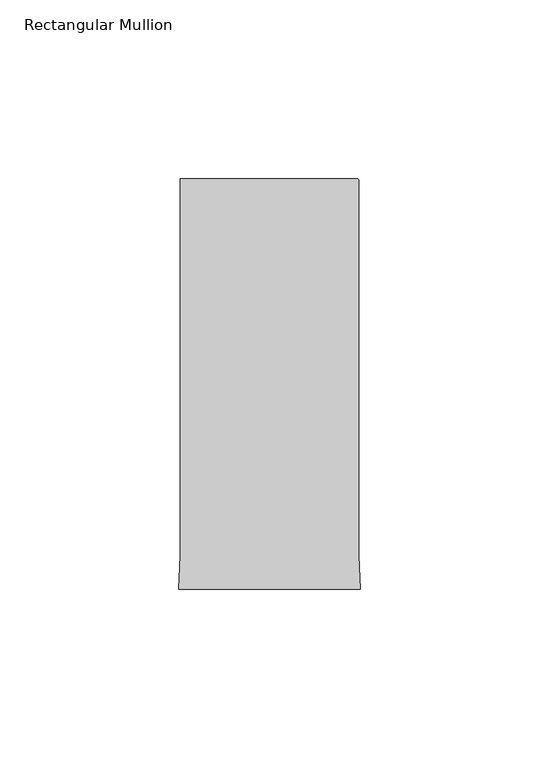
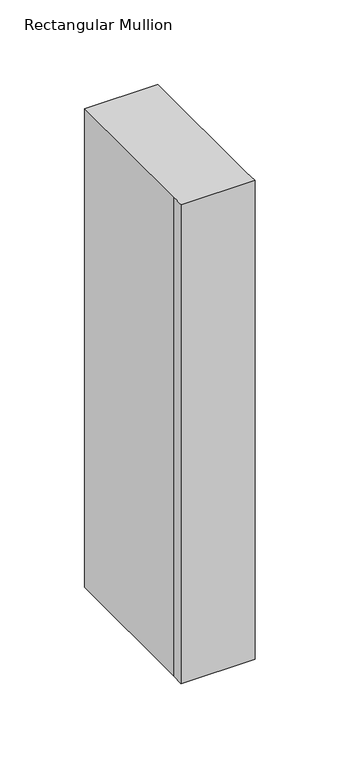
"""IFC4 building model written with IfcOpenShell, lengths in millimetres: member geometry, Rectangular Mullion."""

import ifcopenshell
import ifcopenshell.guid

model = None  # the IFC model being written
_history = None  # IfcOwnerHistory: only IFC2X3 demands one
_inside = {}  # id of a spatial element -> (the spatial element, [elements in it])
_under = {}  # id of a project, library or spatial element -> (it, [spatial elements below it])
_declared = {}  # id of a project -> (the project, [libraries it declares])
_typed = {}  # id of a type object -> (the type object, [elements of that type])
_made_of = {}  # id of a material, layer set ... -> (it, [elements and type objects made of it])


def new_model(schema):
    """Start an empty IFC model of exactly this schema.

    Asked for "IFC4X3", IfcOpenShell would pick the latest addendum, in which some entities
    have other attributes; the version numbers below select the first issue.
    IFC2X3 requires an IfcOwnerHistory on every rooted entity: one is made here for all.
    """
    global model, _history
    if schema == "IFC4X3":
        model = ifcopenshell.file(schema_version=(4, 3, 0, 0))
    else:
        model = ifcopenshell.file(schema=schema)
    _inside.clear()
    _under.clear()
    _declared.clear()
    _typed.clear()
    _made_of.clear()
    _history = None
    if model.schema == "IFC2X3":
        org = make("IfcOrganization", Name="unknown")
        user = make(
            "IfcPersonAndOrganization",
            ThePerson=make("IfcPerson", FamilyName="unknown"),
            TheOrganization=org,
        )
        app = make(
            "IfcApplication",
            ApplicationDeveloper=org,
            Version="unknown",
            ApplicationFullName="unknown",
            ApplicationIdentifier="unknown",
        )
        _history = make(
            "IfcOwnerHistory",
            OwningUser=user,
            OwningApplication=app,
            ChangeAction="ADDED",
            CreationDate=0,
        )
    return model


def make(cls, **values):
    """One entity of the class cls with the attributes given. An attribute that is None is left unset."""
    return model.create_entity(
        cls, **{name: value for name, value in values.items() if value is not None}
    )


def rooted(cls, **values):
    """An entity with a GlobalId (a new one), such as an element, a storey or a relation."""
    return make(cls, GlobalId=ifcopenshell.guid.new(), OwnerHistory=_history, **values)


def si_unit(unit_type, name, prefix=None):
    """IfcSIUnit, for example si_unit("LENGTHUNIT", "METRE", prefix="MILLI")."""
    return make("IfcSIUnit", UnitType=unit_type, Prefix=prefix, Name=name)


def assignment(units):
    """IfcUnitAssignment: the units of a project."""
    return None if units is None else make("IfcUnitAssignment", Units=units)


def point(xyz):
    """IfcCartesianPoint."""
    return None if xyz is None else make("IfcCartesianPoint", Coordinates=xyz)


def direction(xyz):
    """IfcDirection."""
    return None if xyz is None else make("IfcDirection", DirectionRatios=xyz)


def frame(location, z_axis=None, x_axis=None):
    """IfcAxis2Placement3D, a coordinate frame: its origin and axes. An axis left out is left unset."""
    return make(
        "IfcAxis2Placement3D",
        Location=point(location),
        Axis=direction(z_axis),
        RefDirection=direction(x_axis),
    )


def frame_2d(location, x_axis=None):
    """IfcAxis2Placement2D, a coordinate frame in the plane: its origin and x axis."""
    return make(
        "IfcAxis2Placement2D", Location=point(location), RefDirection=direction(x_axis)
    )


def origin():
    """The frame at (0, 0, 0) with its axes left unset."""
    return frame((0.0, 0.0, 0.0))


def place(relative_to, where):
    """IfcLocalPlacement: puts the frame where relative to a parent placement (None: the world)."""
    return make(
        "IfcLocalPlacement", PlacementRelTo=relative_to, RelativePlacement=where
    )


def context(
    kind, dimensions, precision=None, world=None, true_north=None, identifier=None
):
    """IfcGeometricRepresentationContext, for example the 3D "Model" context."""
    return make(
        "IfcGeometricRepresentationContext",
        ContextIdentifier=identifier,
        ContextType=kind,
        CoordinateSpaceDimension=dimensions,
        Precision=precision,
        WorldCoordinateSystem=world,
        TrueNorth=true_north,
    )


def project(units=None, contexts=None):
    """IfcProject with its units and contexts."""
    return rooted(
        "IfcProject",
        Name="project",
        RepresentationContexts=contexts,
        UnitsInContext=assignment(units),
    )


def spatial(cls, under=None, at=None, **own):
    """A site, building, storey or space (cls), placed at a placement, below another one or the project."""
    s = rooted(cls, ObjectPlacement=at, **own)
    if under is not None:
        _under.setdefault(under.id(), (under, []))[1].append(s)
    return s


def polyline(points):
    """IfcPolyline through the points."""
    return make("IfcPolyline", Points=[point(p) for p in points])


def circle_curve(where, radius):
    """IfcCircle in the frame where."""
    return make("IfcCircle", Position=where, Radius=radius)


def trimmed(basis, trim1, trim2, sense, master):
    """IfcTrimmedCurve: the piece of a basis curve between two trims."""
    return make(
        "IfcTrimmedCurve",
        BasisCurve=basis,
        Trim1=trim1,
        Trim2=trim2,
        SenseAgreement=sense,
        MasterRepresentation=master,
    )


def segment(curve, same_sense, transition):
    """IfcCompositeCurveSegment."""
    return make(
        "IfcCompositeCurveSegment",
        Transition=transition,
        SameSense=same_sense,
        ParentCurve=curve,
    )


def composite_curve(segments, self_intersect=None):
    """IfcCompositeCurve: segments joined end to end."""
    return make("IfcCompositeCurve", Segments=segments, SelfIntersect=self_intersect)


def outline(outer, holes=None, kind="AREA"):
    """IfcArbitraryClosedProfileDef: a profile drawn as a closed curve; with holes, ...WithVoids."""
    if holes is None:
        return make("IfcArbitraryClosedProfileDef", ProfileType=kind, OuterCurve=outer)
    return make(
        "IfcArbitraryProfileDefWithVoids",
        ProfileType=kind,
        OuterCurve=outer,
        InnerCurves=holes,
    )


def extrude(swept, where, along, depth):
    """IfcExtrudedAreaSolid: the profile swept, set in the frame where, extruded along a direction by depth."""
    return make(
        "IfcExtrudedAreaSolid",
        SweptArea=swept,
        Position=where,
        ExtrudedDirection=direction(along),
        Depth=depth,
    )


def shape(context_of_items, identifier, shape_type, items):
    """IfcShapeRepresentation: the items that make up one representation, for example the "Body"."""
    return make(
        "IfcShapeRepresentation",
        ContextOfItems=context_of_items,
        RepresentationIdentifier=identifier,
        RepresentationType=shape_type,
        Items=items,
    )


def source(mapping_origin, context_of_items, identifier, shape_type, items):
    """IfcRepresentationMap: a shape defined once, which mapped items show again and again."""
    return make(
        "IfcRepresentationMap",
        MappingOrigin=mapping_origin,
        MappedRepresentation=shape(context_of_items, identifier, shape_type, items),
    )


def transform(
    local_origin,
    x_axis=None,
    y_axis=None,
    z_axis=None,
    scale=None,
    scale2=None,
    scale3=None,
    uniform=True,
):
    """IfcCartesianTransformationOperator3D, or its non-uniform kind. x_axis, y_axis, z_axis: its Axis1, 2, 3."""
    if uniform:
        return make(
            "IfcCartesianTransformationOperator3D",
            Axis1=direction(x_axis),
            Axis2=direction(y_axis),
            LocalOrigin=point(local_origin),
            Scale=scale,
            Axis3=direction(z_axis),
        )
    return make(
        "IfcCartesianTransformationOperator3DnonUniform",
        Axis1=direction(x_axis),
        Axis2=direction(y_axis),
        LocalOrigin=point(local_origin),
        Scale=scale,
        Axis3=direction(z_axis),
        Scale2=scale2,
        Scale3=scale3,
    )


def mapped(mapping_source, mapping_target):
    """IfcMappedItem: shows the shape of a source again, moved by a transform."""
    return make(
        "IfcMappedItem", MappingSource=mapping_source, MappingTarget=mapping_target
    )


def made_of(thing, what):
    """Note that an element or type object is made of a material, layer set ...; save() writes the relation."""
    if what is not None:
        _made_of.setdefault(what.id(), (what, []))[1].append(thing)
    return thing


def element(
    cls,
    number,
    at=None,
    inside=None,
    cuts=None,
    type_object=None,
    material=None,
    context=None,
    identifier="Body",
    shape_type=None,
    held_by="IfcProductDefinitionShape",
    body=None,
    shapes=None,
    **own,
):
    """One element of the class cls, such as IfcWall. Its Tag is "e" and its number.

    at: its placement. inside: the storey or other place that contains it. cuts: it is an
    opening in that element (IfcRelVoidsElement). A single representation is given by context,
    identifier, shape_type and body (its items); several are given by shapes. held_by: the class
    of the entity that holds the representations. save() writes the other relations.
    """
    e = rooted(cls, Tag="e%d" % number, ObjectPlacement=at, **own)
    if body is not None:
        shapes = [shape(context, identifier, shape_type, body)]
    if shapes is not None:
        e.Representation = make(held_by, Representations=shapes)
    if inside is not None:
        _inside.setdefault(inside.id(), (inside, []))[1].append(e)
    if cuts is not None:
        rooted(
            "IfcRelVoidsElement", RelatingBuildingElement=cuts, RelatedOpeningElement=e
        )
    if type_object is not None:
        _typed.setdefault(type_object.id(), (type_object, []))[1].append(e)
    return made_of(e, material)


def aggregate(whole, parts):
    """IfcRelAggregates: a whole, such as a stair, and the parts it consists of."""
    return rooted("IfcRelAggregates", RelatingObject=whole, RelatedObjects=parts)


def save(model, path):
    """Write the relations noted so far, then the file.

    IfcRelAggregates (storeys below a building ...), IfcRelContainedInSpatialStructure (elements
    in a storey), IfcRelDefinesByType, IfcRelAssociatesMaterial and IfcRelDeclares: one each for
    every whole, place, type object, material and project.
    """
    for whole, parts in _under.values():
        aggregate(whole, parts)
    for where, things in _inside.values():
        rooted(
            "IfcRelContainedInSpatialStructure",
            RelatedElements=things,
            RelatingStructure=where,
        )
    for kind, things in _typed.values():
        rooted("IfcRelDefinesByType", RelatedObjects=things, RelatingType=kind)
    for what, things in _made_of.values():
        rooted("IfcRelAssociatesMaterial", RelatedObjects=things, RelatingMaterial=what)
    for by, libraries in _declared.values():
        rooted("IfcRelDeclares", RelatingContext=by, RelatedDefinitions=libraries)
    model.write(path)


def rectangular_mullion_2ac24258(model_context):
    return source(origin(), model_context, "Body", "SweptSolid", [
        extrude(outline(composite_curve([segment(polyline([(-25.0000004, 128.995434), (24.4999996, 128.995434)]), True, "CONTINUOUS"), segment(trimmed(circle_curve(frame_2d((24.4999996, 128.495434)), 0.5), [point((24.4999996, 128.995434))], [point((24.9999996, 128.495434))], False, "CARTESIAN"), True, "CONTINUOUS"), segment(polyline([(24.9999996, 128.495434), (24.9999996, 23.4857005), (25.4480462, 14.0), (-25.448047, 14.0), (-25.0000004, 23.4857005), (-25.0000004, 128.995434)]), True, "CONTINUOUS")], self_intersect=False)), frame((0.0, 0.0, -347.0919278), z_axis=(0.0, 0.0, 1.0), x_axis=(1.0, 0.0, 0.0)), (0.0, 0.0, 1.0), 347.0919278),
    ])


if __name__ == "__main__":
    model = new_model("IFC4")
    model_context = context("Model", 3, world=origin())
    ifc_project = project(units=[si_unit("LENGTHUNIT", "METRE", prefix="MILLI")], contexts=[model_context])
    site = spatial("IfcSite", under=ifc_project)
    building = spatial("IfcBuilding", under=site)
    placement = place(None, origin())
    rectangular_mullion_shape = rectangular_mullion_2ac24258(model_context)
    element("IfcMember", 1, ObjectType="Rectangular Mullion", at=placement, inside=building, context=model_context, shape_type="MappedRepresentation", body=[
        mapped(rectangular_mullion_shape, transform((0.0, 0.0, 0.0), x_axis=(1.0, 0.0, 0.0), y_axis=(0.0, 1.0, 0.0), z_axis=(0.0, 0.0, 1.0))),
    ])
    save(model, "model.ifc")
